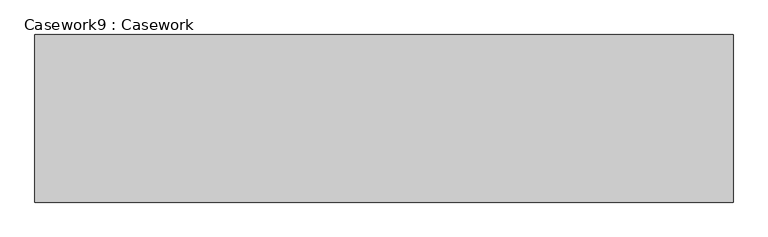
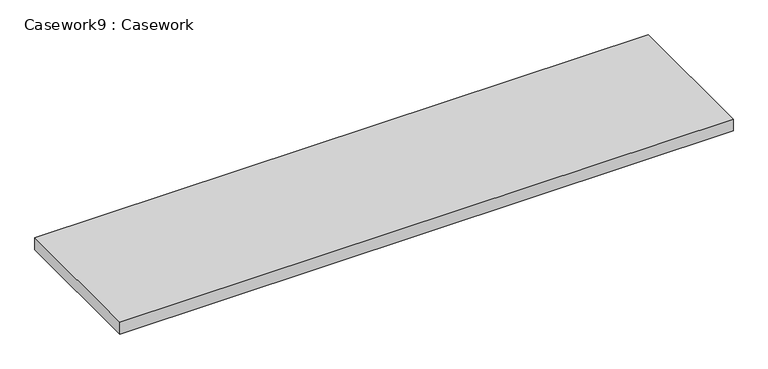
"""IFC4 building model written with IfcOpenShell, lengths in millimetres: furniture geometry, Casework9 : Casework."""

from ifc_helpers import new_model, si_unit, frame, origin, place, context, project, spatial, polyline, outline, extrude, source, transform, mapped, element, save


def casework9_casework_a2a1e829(model_context):
    return source(origin(), model_context, "Body", "SweptSolid", [
        extrude(outline(polyline([(103517.1529601, -69727.525902), (103517.1529601, -70337.125902), (100978.6635852, -70337.125902), (100978.6635852, -69727.525902), (103517.1529601, -69727.525902)])), frame((0.0, 0.0, 812.8), z_axis=(0.0, 0.0, 1.0), x_axis=(1.0, 0.0, 0.0)), (0.0, 0.0, 1.0), 50.8),
    ])


if __name__ == "__main__":
    model = new_model("IFC4")
    model_context = context("Model", 3, world=origin())
    ifc_project = project(units=[si_unit("LENGTHUNIT", "METRE", prefix="MILLI")], contexts=[model_context])
    site = spatial("IfcSite", under=ifc_project)
    building = spatial("IfcBuilding", under=site)
    placement = place(None, origin())
    casework9_casework_shape = casework9_casework_a2a1e829(model_context)
    element("IfcFurniture", 1, ObjectType="Casework9 : Casework", at=placement, inside=building, context=model_context, shape_type="MappedRepresentation", body=[
        mapped(casework9_casework_shape, transform((0.0, 0.0, 0.0), x_axis=(1.0, 0.0, 0.0), y_axis=(0.0, 1.0, 0.0), z_axis=(0.0, 0.0, 1.0))),
    ])
    save(model, "model.ifc")
